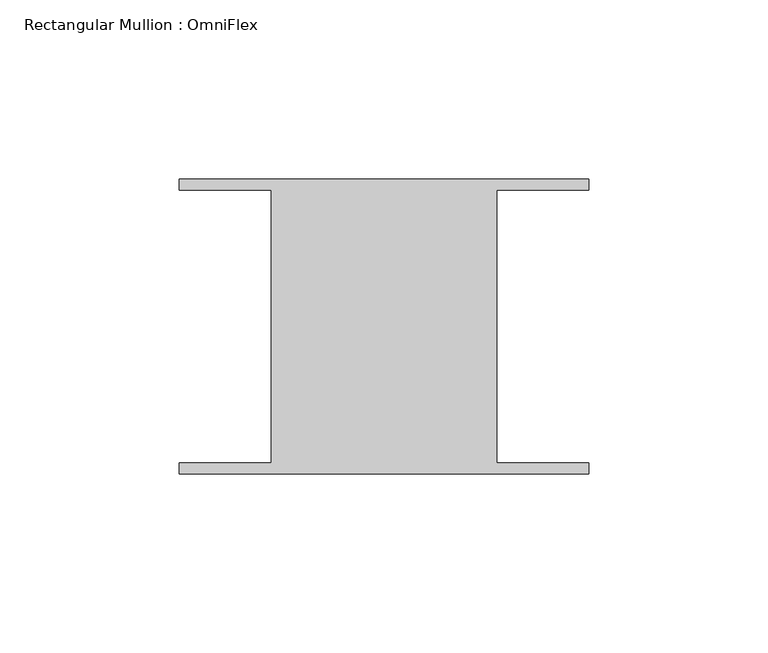
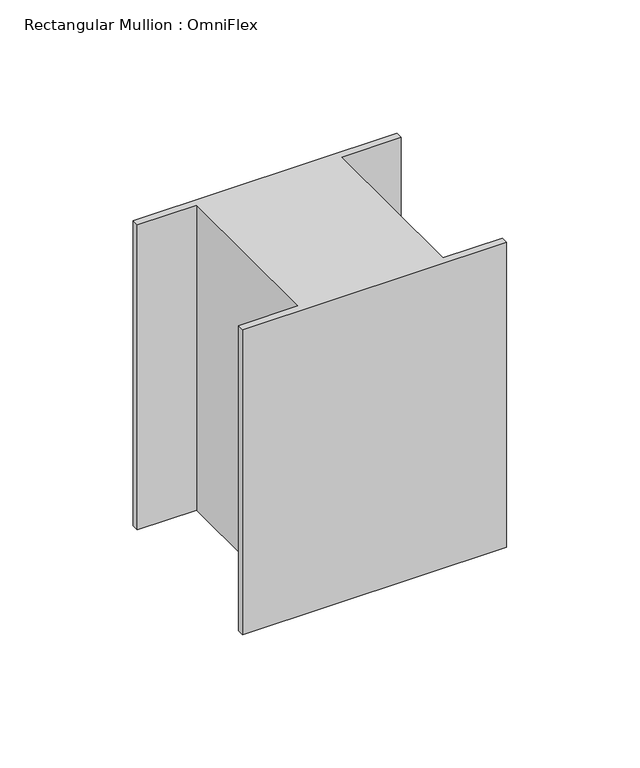
"""IFC4 building model written with IfcOpenShell, lengths in millimetres: member geometry, Rectangular Mullion : OmniFlex."""

from ifc_helpers import new_model, si_unit, frame, origin, place, context, project, spatial, polyline, outline, extrude, source, transform, mapped, element, save


def rectangular_mullion_omniflex_deac15b0(model_context):
    return source(origin(), model_context, "Body", "SweptSolid", [
        extrude(outline(polyline([(-57.15, 38.0620588), (-57.15, 41.13784), (57.15, 41.13784), (57.15, 38.0620587), (31.4523437, 38.0620588), (31.4523437, -38.0620587), (57.15, -38.0620588), (57.15, -41.13784), (-57.15, -41.13784), (-57.15, -38.0620587), (-31.4523438, -38.0620587), (-31.4523438, 38.0620588), (-57.15, 38.0620588)])), frame((0.0, 0.0, -139.7), z_axis=(0.0, 0.0, 1.0), x_axis=(1.0, 0.0, 0.0)), (0.0, 0.0, 1.0), 139.7),
    ])


if __name__ == "__main__":
    model = new_model("IFC4")
    model_context = context("Model", 3, world=origin())
    ifc_project = project(units=[si_unit("LENGTHUNIT", "METRE", prefix="MILLI")], contexts=[model_context])
    site = spatial("IfcSite", under=ifc_project)
    building = spatial("IfcBuilding", under=site)
    placement = place(None, origin())
    rectangular_mullion_omniflex_shape = rectangular_mullion_omniflex_deac15b0(model_context)
    element("IfcMember", 1, ObjectType="Rectangular Mullion : OmniFlex", at=placement, inside=building, context=model_context, shape_type="MappedRepresentation", body=[
        mapped(rectangular_mullion_omniflex_shape, transform((0.0, 0.0, 0.0), x_axis=(1.0, 0.0, 0.0), y_axis=(0.0, 1.0, 0.0), z_axis=(0.0, 0.0, 1.0))),
    ])
    save(model, "model.ifc")
